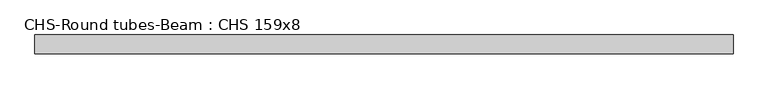
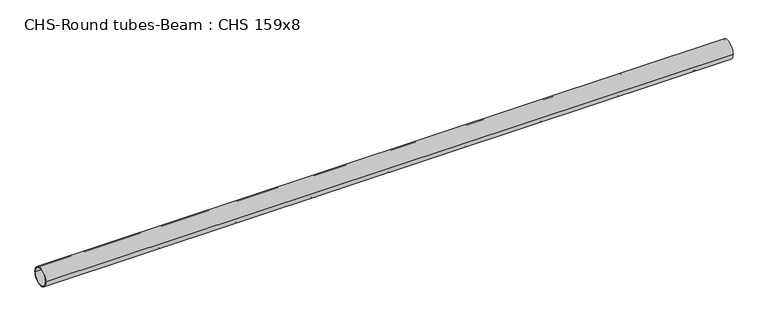
"""IFC4 building model written with IfcOpenShell, lengths in millimetres: beam geometry, CHS-Round tubes-Beam : CHS 159x8."""

from ifc_helpers import new_model, si_unit, point, frame, origin, origin_2d, place, context, project, spatial, circle_curve, trimmed, segment, composite_curve, outline, extrude, source, transform, mapped, element, save


def chs_round_tubes_beam_chs_159x8_b1d5939f(model_context):
    return source(origin(), model_context, "Body", "SweptSolid", [
        extrude(outline(composite_curve([segment(trimmed(circle_curve(origin_2d(), 79.5), [point((79.5, 0.0))], [point((-79.5, 0.0))], False, "CARTESIAN"), True, "CONTINUOUS"), segment(trimmed(circle_curve(origin_2d(), 79.5), [point((-79.5, 0.0))], [point((79.5, 0.0))], False, "CARTESIAN"), True, "CONTINUOUS")], self_intersect=False), holes=[composite_curve([segment(trimmed(circle_curve(origin_2d(), 71.5), [point((71.5, 0.0))], [point((-71.5, 0.0))], True, "CARTESIAN"), True, "CONTINUOUS"), segment(trimmed(circle_curve(origin_2d(), 71.5), [point((-71.5, 0.0))], [point((71.5, 0.0))], True, "CARTESIAN"), True, "CONTINUOUS")], self_intersect=False)]), frame((-2941.2909922, 0.0, 0.0), z_axis=(1.0, 0.0, 0.0), x_axis=(0.0, 1.0, 0.0)), (0.0, 0.0, 1.0), 5882.5819844),
    ])


if __name__ == "__main__":
    model = new_model("IFC4")
    model_context = context("Model", 3, world=origin())
    ifc_project = project(units=[si_unit("LENGTHUNIT", "METRE", prefix="MILLI")], contexts=[model_context])
    site = spatial("IfcSite", under=ifc_project)
    building = spatial("IfcBuilding", under=site)
    placement = place(None, origin())
    chs_round_tubes_beam_chs_159x8_shape = chs_round_tubes_beam_chs_159x8_b1d5939f(model_context)
    element("IfcBeam", 1, ObjectType="CHS-Round tubes-Beam : CHS 159x8", at=placement, inside=building, context=model_context, shape_type="MappedRepresentation", body=[
        mapped(chs_round_tubes_beam_chs_159x8_shape, transform((0.0, 0.0, 0.0), x_axis=(1.0, 0.0, 0.0), y_axis=(0.0, 1.0, 0.0), z_axis=(0.0, 0.0, 1.0))),
    ])
    save(model, "model.ifc")
